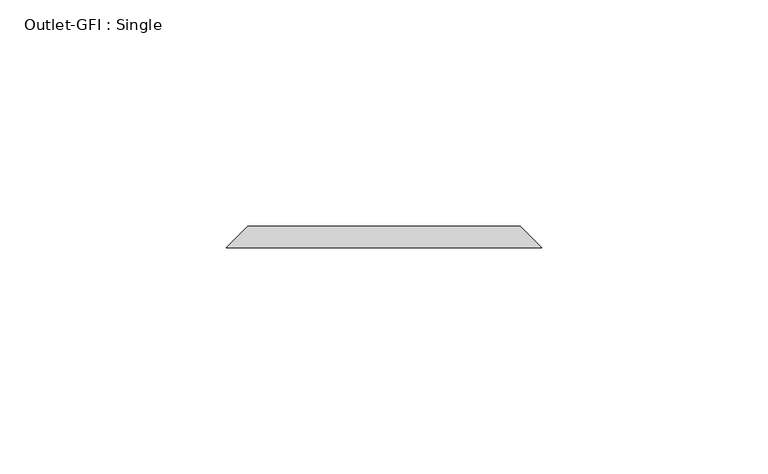
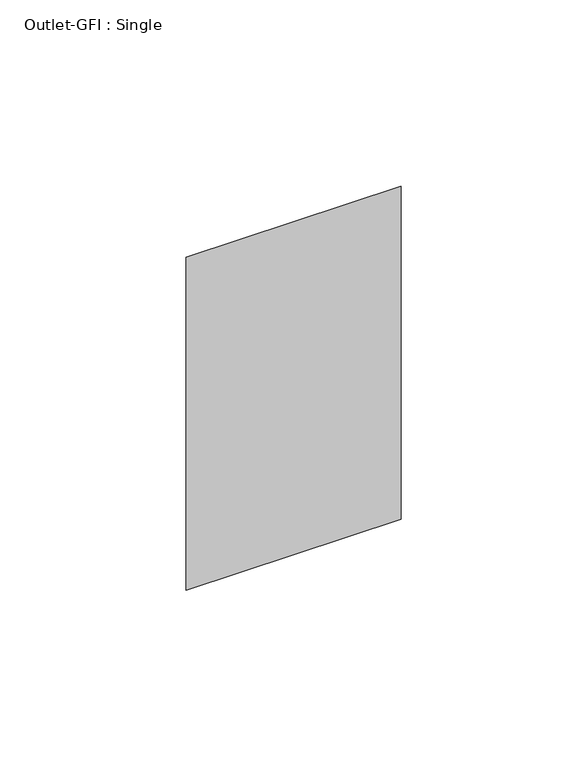
"""IFC4 building model written with IfcOpenShell, lengths in millimetres: proxy geometry, Outlet-GFI : Single."""

from ifc_helpers import new_model, si_unit, origin, place, context, project, spatial, faceted_brep, source, transform, mapped, element, save


def outlet_gfi_single_18e5cf5c(model_context):
    return source(origin(), model_context, "Body", "Brep", [
        faceted_brep([(-30.1625, 87.3125, 1271.5875), (30.1625, 87.3125, 1271.5875), (30.1625, 87.3125, 1166.8125), (-30.1625, 87.3125, 1166.8125), (-34.925, 82.55, 1276.35), (-34.925, 82.55, 1162.05), (34.925, 82.55, 1162.05), (34.925, 82.55, 1276.35)], [[[0, 1, 2, 3]], [[4, 5, 6, 7]], [[4, 7, 1, 0]], [[7, 6, 2, 1]], [[6, 5, 3, 2]], [[5, 4, 0, 3]]]),
    ])


if __name__ == "__main__":
    model = new_model("IFC4")
    model_context = context("Model", 3, world=origin())
    ifc_project = project(units=[si_unit("LENGTHUNIT", "METRE", prefix="MILLI")], contexts=[model_context])
    site = spatial("IfcSite", under=ifc_project)
    building = spatial("IfcBuilding", under=site)
    placement = place(None, origin())
    outlet_gfi_single_shape = outlet_gfi_single_18e5cf5c(model_context)
    element("IfcBuildingElementProxy", 1, Name="Outlet-GFI : Single", ObjectType="Outlet-GFI : Single", at=placement, inside=building, context=model_context, shape_type="MappedRepresentation", body=[
        mapped(outlet_gfi_single_shape, transform((0.0, 0.0, 0.0), x_axis=(1.0, 0.0, 0.0), y_axis=(0.0, 1.0, 0.0), z_axis=(0.0, 0.0, 1.0))),
    ])
    save(model, "model.ifc")
